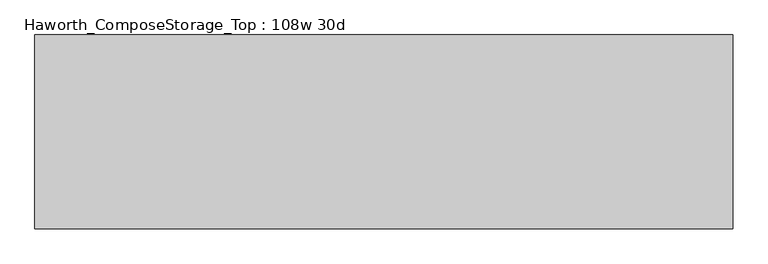
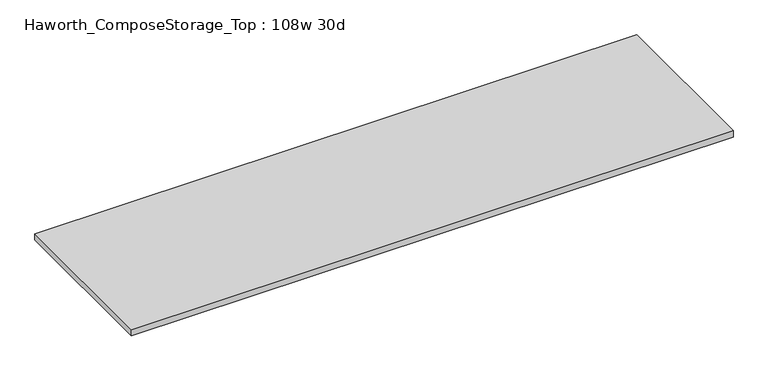
"""IFC4 building model written with IfcOpenShell, lengths in millimetres: furniture geometry, Haworth_ComposeStorage_Top : 108w 30d."""

from ifc_helpers import new_model, si_unit, frame, origin, place, context, project, spatial, polyline, outline, extrude, source, transform, mapped, element, save


def haworth_composestorage_top_108w_30d_2e2cb62f(model_context):
    return source(origin(), model_context, "Body", "SweptSolid", [
        extrude(outline(polyline([(1371.6, 381.0), (1371.6, -381.0), (-1371.6, -381.0), (-1371.6, 381.0), (1371.6, 381.0)])), frame((0.0, 0.0, 706.4375), z_axis=(0.0, 0.0, 1.0), x_axis=(1.0, 0.0, 0.0)), (0.0, 0.0, 1.0), 30.1625),
    ])


if __name__ == "__main__":
    model = new_model("IFC4")
    model_context = context("Model", 3, world=origin())
    ifc_project = project(units=[si_unit("LENGTHUNIT", "METRE", prefix="MILLI")], contexts=[model_context])
    site = spatial("IfcSite", under=ifc_project)
    building = spatial("IfcBuilding", under=site)
    placement = place(None, origin())
    haworth_composestorage_top_108w_30d_shape = haworth_composestorage_top_108w_30d_2e2cb62f(model_context)
    element("IfcFurniture", 1, ObjectType="Haworth_ComposeStorage_Top : 108w 30d", at=placement, inside=building, context=model_context, shape_type="MappedRepresentation", body=[
        mapped(haworth_composestorage_top_108w_30d_shape, transform((0.0, 0.0, 0.0), x_axis=(1.0, 0.0, 0.0), y_axis=(0.0, 1.0, 0.0), z_axis=(0.0, 0.0, 1.0))),
    ])
    save(model, "model.ifc")
